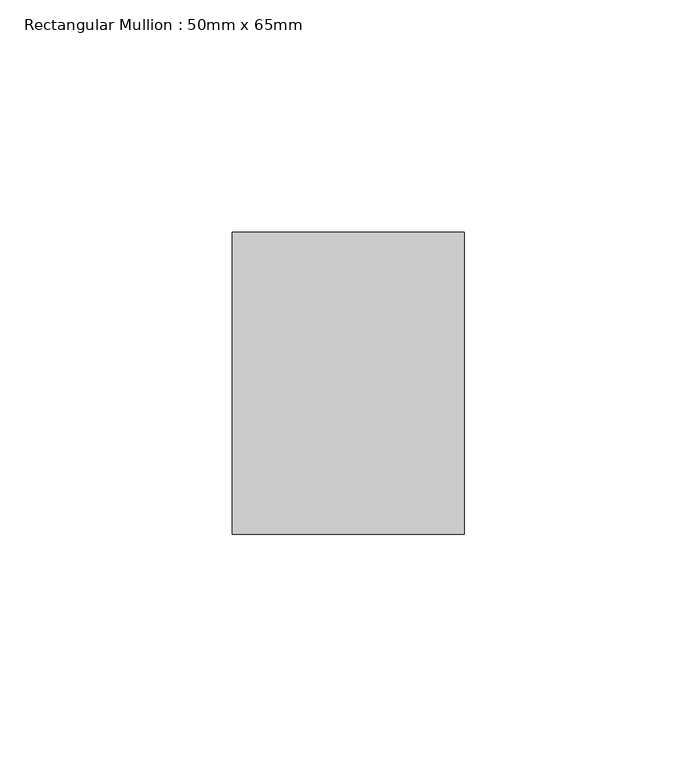
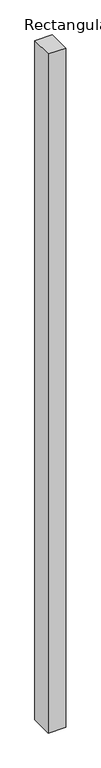
"""IFC4 building model written with IfcOpenShell, lengths in millimetres: member geometry, Rectangular Mullion : 50mm x 65mm."""

import ifcopenshell
import ifcopenshell.guid

model = None  # the IFC model being written
_history = None  # IfcOwnerHistory: only IFC2X3 demands one
_inside = {}  # id of a spatial element -> (the spatial element, [elements in it])
_under = {}  # id of a project, library or spatial element -> (it, [spatial elements below it])
_declared = {}  # id of a project -> (the project, [libraries it declares])
_typed = {}  # id of a type object -> (the type object, [elements of that type])
_made_of = {}  # id of a material, layer set ... -> (it, [elements and type objects made of it])


def new_model(schema):
    """Start an empty IFC model of exactly this schema.

    Asked for "IFC4X3", IfcOpenShell would pick the latest addendum, in which some entities
    have other attributes; the version numbers below select the first issue.
    IFC2X3 requires an IfcOwnerHistory on every rooted entity: one is made here for all.
    """
    global model, _history
    if schema == "IFC4X3":
        model = ifcopenshell.file(schema_version=(4, 3, 0, 0))
    else:
        model = ifcopenshell.file(schema=schema)
    _inside.clear()
    _under.clear()
    _declared.clear()
    _typed.clear()
    _made_of.clear()
    _history = None
    if model.schema == "IFC2X3":
        org = make("IfcOrganization", Name="unknown")
        user = make(
            "IfcPersonAndOrganization",
            ThePerson=make("IfcPerson", FamilyName="unknown"),
            TheOrganization=org,
        )
        app = make(
            "IfcApplication",
            ApplicationDeveloper=org,
            Version="unknown",
            ApplicationFullName="unknown",
            ApplicationIdentifier="unknown",
        )
        _history = make(
            "IfcOwnerHistory",
            OwningUser=user,
            OwningApplication=app,
            ChangeAction="ADDED",
            CreationDate=0,
        )
    return model


def make(cls, **values):
    """One entity of the class cls with the attributes given. An attribute that is None is left unset."""
    return model.create_entity(
        cls, **{name: value for name, value in values.items() if value is not None}
    )


def rooted(cls, **values):
    """An entity with a GlobalId (a new one), such as an element, a storey or a relation."""
    return make(cls, GlobalId=ifcopenshell.guid.new(), OwnerHistory=_history, **values)


def si_unit(unit_type, name, prefix=None):
    """IfcSIUnit, for example si_unit("LENGTHUNIT", "METRE", prefix="MILLI")."""
    return make("IfcSIUnit", UnitType=unit_type, Prefix=prefix, Name=name)


def assignment(units):
    """IfcUnitAssignment: the units of a project."""
    return None if units is None else make("IfcUnitAssignment", Units=units)


def point(xyz):
    """IfcCartesianPoint."""
    return None if xyz is None else make("IfcCartesianPoint", Coordinates=xyz)


def direction(xyz):
    """IfcDirection."""
    return None if xyz is None else make("IfcDirection", DirectionRatios=xyz)


def frame(location, z_axis=None, x_axis=None):
    """IfcAxis2Placement3D, a coordinate frame: its origin and axes. An axis left out is left unset."""
    return make(
        "IfcAxis2Placement3D",
        Location=point(location),
        Axis=direction(z_axis),
        RefDirection=direction(x_axis),
    )


def origin():
    """The frame at (0, 0, 0) with its axes left unset."""
    return frame((0.0, 0.0, 0.0))


def place(relative_to, where):
    """IfcLocalPlacement: puts the frame where relative to a parent placement (None: the world)."""
    return make(
        "IfcLocalPlacement", PlacementRelTo=relative_to, RelativePlacement=where
    )


def context(
    kind, dimensions, precision=None, world=None, true_north=None, identifier=None
):
    """IfcGeometricRepresentationContext, for example the 3D "Model" context."""
    return make(
        "IfcGeometricRepresentationContext",
        ContextIdentifier=identifier,
        ContextType=kind,
        CoordinateSpaceDimension=dimensions,
        Precision=precision,
        WorldCoordinateSystem=world,
        TrueNorth=true_north,
    )


def project(units=None, contexts=None):
    """IfcProject with its units and contexts."""
    return rooted(
        "IfcProject",
        Name="project",
        RepresentationContexts=contexts,
        UnitsInContext=assignment(units),
    )


def spatial(cls, under=None, at=None, **own):
    """A site, building, storey or space (cls), placed at a placement, below another one or the project."""
    s = rooted(cls, ObjectPlacement=at, **own)
    if under is not None:
        _under.setdefault(under.id(), (under, []))[1].append(s)
    return s


def polyline(points):
    """IfcPolyline through the points."""
    return make("IfcPolyline", Points=[point(p) for p in points])


def outline(outer, holes=None, kind="AREA"):
    """IfcArbitraryClosedProfileDef: a profile drawn as a closed curve; with holes, ...WithVoids."""
    if holes is None:
        return make("IfcArbitraryClosedProfileDef", ProfileType=kind, OuterCurve=outer)
    return make(
        "IfcArbitraryProfileDefWithVoids",
        ProfileType=kind,
        OuterCurve=outer,
        InnerCurves=holes,
    )


def extrude(swept, where, along, depth):
    """IfcExtrudedAreaSolid: the profile swept, set in the frame where, extruded along a direction by depth."""
    return make(
        "IfcExtrudedAreaSolid",
        SweptArea=swept,
        Position=where,
        ExtrudedDirection=direction(along),
        Depth=depth,
    )


def shape(context_of_items, identifier, shape_type, items):
    """IfcShapeRepresentation: the items that make up one representation, for example the "Body"."""
    return make(
        "IfcShapeRepresentation",
        ContextOfItems=context_of_items,
        RepresentationIdentifier=identifier,
        RepresentationType=shape_type,
        Items=items,
    )


def source(mapping_origin, context_of_items, identifier, shape_type, items):
    """IfcRepresentationMap: a shape defined once, which mapped items show again and again."""
    return make(
        "IfcRepresentationMap",
        MappingOrigin=mapping_origin,
        MappedRepresentation=shape(context_of_items, identifier, shape_type, items),
    )


def transform(
    local_origin,
    x_axis=None,
    y_axis=None,
    z_axis=None,
    scale=None,
    scale2=None,
    scale3=None,
    uniform=True,
):
    """IfcCartesianTransformationOperator3D, or its non-uniform kind. x_axis, y_axis, z_axis: its Axis1, 2, 3."""
    if uniform:
        return make(
            "IfcCartesianTransformationOperator3D",
            Axis1=direction(x_axis),
            Axis2=direction(y_axis),
            LocalOrigin=point(local_origin),
            Scale=scale,
            Axis3=direction(z_axis),
        )
    return make(
        "IfcCartesianTransformationOperator3DnonUniform",
        Axis1=direction(x_axis),
        Axis2=direction(y_axis),
        LocalOrigin=point(local_origin),
        Scale=scale,
        Axis3=direction(z_axis),
        Scale2=scale2,
        Scale3=scale3,
    )


def mapped(mapping_source, mapping_target):
    """IfcMappedItem: shows the shape of a source again, moved by a transform."""
    return make(
        "IfcMappedItem", MappingSource=mapping_source, MappingTarget=mapping_target
    )


def made_of(thing, what):
    """Note that an element or type object is made of a material, layer set ...; save() writes the relation."""
    if what is not None:
        _made_of.setdefault(what.id(), (what, []))[1].append(thing)
    return thing


def element(
    cls,
    number,
    at=None,
    inside=None,
    cuts=None,
    type_object=None,
    material=None,
    context=None,
    identifier="Body",
    shape_type=None,
    held_by="IfcProductDefinitionShape",
    body=None,
    shapes=None,
    **own,
):
    """One element of the class cls, such as IfcWall. Its Tag is "e" and its number.

    at: its placement. inside: the storey or other place that contains it. cuts: it is an
    opening in that element (IfcRelVoidsElement). A single representation is given by context,
    identifier, shape_type and body (its items); several are given by shapes. held_by: the class
    of the entity that holds the representations. save() writes the other relations.
    """
    e = rooted(cls, Tag="e%d" % number, ObjectPlacement=at, **own)
    if body is not None:
        shapes = [shape(context, identifier, shape_type, body)]
    if shapes is not None:
        e.Representation = make(held_by, Representations=shapes)
    if inside is not None:
        _inside.setdefault(inside.id(), (inside, []))[1].append(e)
    if cuts is not None:
        rooted(
            "IfcRelVoidsElement", RelatingBuildingElement=cuts, RelatedOpeningElement=e
        )
    if type_object is not None:
        _typed.setdefault(type_object.id(), (type_object, []))[1].append(e)
    return made_of(e, material)


def aggregate(whole, parts):
    """IfcRelAggregates: a whole, such as a stair, and the parts it consists of."""
    return rooted("IfcRelAggregates", RelatingObject=whole, RelatedObjects=parts)


def save(model, path):
    """Write the relations noted so far, then the file.

    IfcRelAggregates (storeys below a building ...), IfcRelContainedInSpatialStructure (elements
    in a storey), IfcRelDefinesByType, IfcRelAssociatesMaterial and IfcRelDeclares: one each for
    every whole, place, type object, material and project.
    """
    for whole, parts in _under.values():
        aggregate(whole, parts)
    for where, things in _inside.values():
        rooted(
            "IfcRelContainedInSpatialStructure",
            RelatedElements=things,
            RelatingStructure=where,
        )
    for kind, things in _typed.values():
        rooted("IfcRelDefinesByType", RelatedObjects=things, RelatingType=kind)
    for what, things in _made_of.values():
        rooted("IfcRelAssociatesMaterial", RelatedObjects=things, RelatingMaterial=what)
    for by, libraries in _declared.values():
        rooted("IfcRelDeclares", RelatingContext=by, RelatedDefinitions=libraries)
    model.write(path)


def rectangular_mullion_50mm_x_65mm_111b518c(model_context):
    return source(origin(), model_context, "Body", "SweptSolid", [
        extrude(outline(polyline([(25.0, 32.5), (25.0, -32.5), (-25.0, -32.5), (-25.0, 32.5), (25.0, 32.5)])), frame((0.0, 0.0, -2042.0389536), z_axis=(0.0, 0.0, 1.0), x_axis=(1.0, 0.0, 0.0)), (0.0, 0.0, 1.0), 2042.0389536),
    ])


if __name__ == "__main__":
    model = new_model("IFC4")
    model_context = context("Model", 3, world=origin())
    ifc_project = project(units=[si_unit("LENGTHUNIT", "METRE", prefix="MILLI")], contexts=[model_context])
    site = spatial("IfcSite", under=ifc_project)
    building = spatial("IfcBuilding", under=site)
    placement = place(None, origin())
    rectangular_mullion_50mm_x_65mm_shape = rectangular_mullion_50mm_x_65mm_111b518c(model_context)
    element("IfcMember", 1, ObjectType="Rectangular Mullion : 50mm x 65mm", at=placement, inside=building, context=model_context, shape_type="MappedRepresentation", body=[
        mapped(rectangular_mullion_50mm_x_65mm_shape, transform((0.0, 0.0, 0.0), x_axis=(1.0, 0.0, 0.0), y_axis=(0.0, 1.0, 0.0), z_axis=(0.0, 0.0, 1.0))),
    ])
    save(model, "model.ifc")
